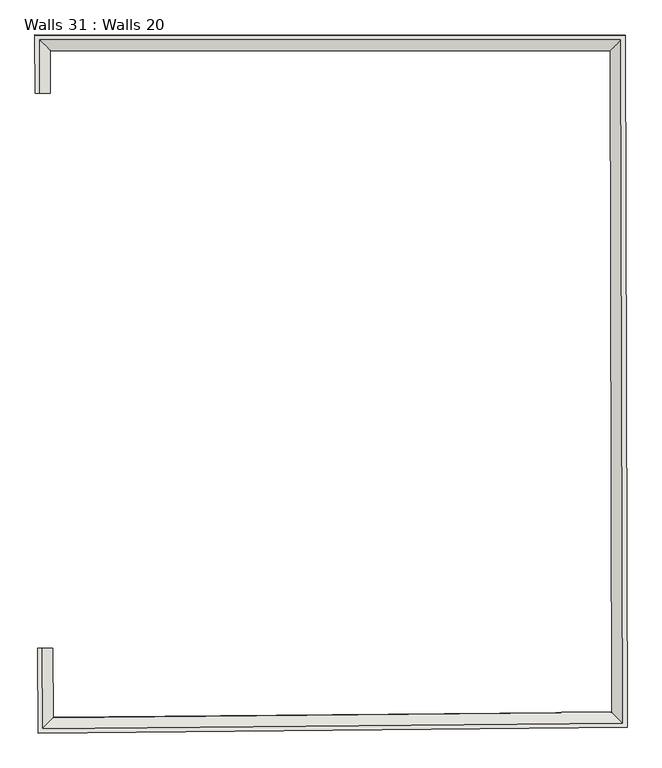
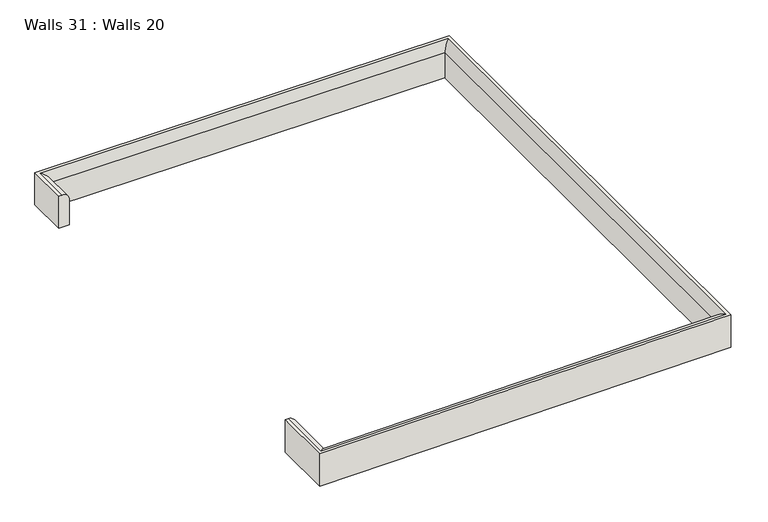
"""IFC4 building model written with IfcOpenShell, lengths in millimetres: wall geometry, Walls 31 : Walls 20."""

from ifc_helpers import new_model, si_unit, frame, origin, place, context, project, spatial, circle_curve, ellipse_curve, source, transform, mapped, element, save
from ifc_brep_helpers import plane_surface, cylinder_surface, advanced_brep


def walls_31_walls_20_ca207dbe(model_context):
    return source(origin(), model_context, "Body", "AdvancedBrep", [
        advanced_brep(
        [(-45375.1478266, 51784.8902038, 110888.9729641), (-45381.8439216, 51784.8602154, 110888.9729558), (-45381.8448538, 51785.0893584, 110813.1498091), (-45358.0390677, 51785.1959727, 110813.1498386), (-45358.0383458, 51785.0185366, 110871.8632007), (-45371.2817511, 50921.5173487, 110886.3637417), (-45354.1722702, 50921.6456679, 110869.2539782), (-45354.1729921, 50921.8231039, 110810.5406161), (-45377.9787783, 50921.7165085, 110810.5405866), (-45377.977846, 50921.4873655, 110886.3637334), (-45375.5246025, 51869.0200004, 110889.227215), (-44469.597435, 51868.2842072, 110889.2138528), (-44466.9174004, 50805.0941547, 110886.000783), (-45370.7215997, 50796.4196628, 110885.9856806), (-45377.3875577, 50789.6592446, 110885.9653321), (-44460.2044994, 50798.4621436, 110885.980658), (-44462.9181172, 51874.974916, 110889.2339905), (-45382.2508449, 51875.7215971, 110889.2475505), (-45382.2517771, 51875.9507401, 110813.4244037), (-44462.9190495, 51875.204059, 110813.4108437), (-44460.2054317, 50798.6912866, 110810.1575113), (-45377.38849, 50789.8883876, 110810.1421853), (-45353.6898458, 50813.922854, 110810.2145278), (-44484.0709663, 50822.2692436, 110810.229059), (-44486.6651899, 51851.4174216, 110813.3392507), (-45358.3388116, 51852.125394, 110813.3521078), (-45358.3380897, 51851.947958, 110872.0654699), (-44486.664468, 51851.2399856, 110872.0526129), (-44484.0702444, 50822.0918076, 110868.9424211), (-45353.689124, 50813.745418, 110868.9278899)],
        [
            (0, 1),
            (1, 2),
            (2, 3),
            (3, 4),
            (4, 0, circle_curve(frame((-45375.148037, 51784.9419108, 110871.8631795), z_axis=(0.004478441393439325, -0.9999854051821969, -0.003022082937808293), x_axis=(0.9999899716554724, 0.0044784580998660645, 1.239046082882336e-06)), 17.1098628)),
            (5, 6, circle_curve(frame((-45371.2819614, 50921.5690557, 110869.253957), z_axis=(-0.004477646704797888, 0.9999854087408966, 0.003022082938858333), x_axis=(0.9999899752141589, 0.004477663414853915, 1.2366443360414996e-06)), 17.1098628)),
            (6, 7),
            (7, 8),
            (8, 9),
            (9, 5),
            (0, 10),
            (10, 11),
            (11, 12),
            (12, 13),
            (13, 5),
            (9, 14),
            (14, 15),
            (15, 16),
            (16, 17),
            (17, 1),
            (17, 18),
            (18, 2),
            (18, 19),
            (19, 20),
            (20, 21),
            (21, 8),
            (7, 22),
            (22, 23),
            (23, 24),
            (24, 25),
            (25, 3),
            (25, 26),
            (26, 4),
            (26, 10, ellipse_curve(frame((-45375.5248128, 51869.0717074, 110872.1174304), z_axis=(-0.7058093904762955, -0.7083985871226954, -0.0021321533830538685), x_axis=(0.7084017957094031, -0.7058061411796612, -0.002141706975605916)), 24.2612643, 17.1098628)),
            (16, 19),
            (24, 27),
            (27, 26),
            (27, 11, ellipse_curve(frame((-44469.5976454, 51868.3359142, 110872.1040682), z_axis=(-0.707710566158564, 0.7064992276704568, 0.0021437930339909266), x_axis=(-0.7065024801062993, -0.707707360754007, -0.002130055925463578)), 24.1567766, 17.1098628)),
            (15, 20),
            (23, 28),
            (28, 27),
            (28, 12, ellipse_curve(frame((-44466.9176108, 50805.1458617, 110868.8909983), z_axis=(0.7028093970543118, 0.7113749832108935, 0.002141185152112932), x_axis=(-0.7113782055004086, 0.702806161346111, 0.002132677416432533)), 24.1118345, 17.1098628)),
            (14, 21),
            (22, 29),
            (29, 28),
            (29, 13, ellipse_curve(frame((-45370.72181, 50796.4713698, 110868.8758959), z_axis=(0.712065539291206, -0.7021097694642616, -0.002130581321065362), x_axis=(0.7021130020180162, 0.7120623138372064, 0.0021432708771770897)), 24.2591805, 17.1098628)),
            (6, 29),
        ],
        [
            plane_surface(frame((-45370.5431281, 51785.2670827, 110771.0901942), z_axis=(0.004478441393439316, -0.999985405182197, -0.0030220829378082925), x_axis=(1.2295243812063143e-05, -0.0030220581803146675, 0.9999954334961645))),
            plane_surface(frame((-45366.6770525, 50921.8942239, 110768.4809717), z_axis=(-0.004477646704797506, 0.9999854087408966, 0.003022082938858334), x_axis=(1.2295243920137264e-05, -0.003022058180380514, 0.9999954334961643))),
            plane_surface(frame((-45375.1478266, 51784.8902038, 110888.9729641), z_axis=(1.2295243812367532e-05, -0.0030220581803824254, 0.9999954334961642), x_axis=(-0.00447844139346915, 0.9999854051821966, 0.0030220829378760513))),
            plane_surface(frame((-45381.8439216, 51784.8602154, 110888.9729558), z_axis=(-0.9999899716554723, -0.00447845809985764, -1.2390460828578593e-06), x_axis=(-0.0044784413934308995, 0.9999854051821969, 0.003022082937813738))),
            plane_surface(frame((-45381.8448538, 51785.0893584, 110813.1498091), z_axis=(-1.2295243812088462e-05, 0.003022058180320113, -0.9999954334961644), x_axis=(-0.0044784413934308995, 0.9999854051821969, 0.003022082937813738))),
            plane_surface(frame((-45358.0390677, 51785.1959727, 110813.1498386), z_axis=(0.9999899716554727, 0.00447845809981395, 1.2390460827258255e-06), x_axis=(-0.00447844139338721, 0.9999854051821971, 0.0030220829378168257))),
            cylinder_surface(frame((-45375.148037, 51784.9419108, 110871.8631795), z_axis=(0.004478441393439325, -0.9999854051821969, -0.003022082937808293), x_axis=(0.9999899716554724, 0.0044784580998660645, 1.239046082882336e-06)), 17.1098628),
            plane_surface(frame((-45382.2508449, 51875.7215971, 110889.2475505), z_axis=(0.0008122395814409524, 0.999995103736814, 0.0030220471970106673), x_axis=(0.9999996700577902, -0.0008121987155385776, -1.4749818919829495e-05))),
            plane_surface(frame((-45358.3388116, 51852.125394, 110813.3521078), z_axis=(-0.0008122395814417331, -0.9999951037368141, -0.003022047197010667), x_axis=(0.9999996700577903, -0.0008121987155393638, -1.4749818917982063e-05))),
            cylinder_surface(frame((-45370.8941856, 51869.0679464, 110872.1173621), z_axis=(-0.9999996700577903, 0.0008121987155411418, 1.474981892436803e-05), x_axis=(-0.0008122395814435303, -0.9999951037368141, -0.003022047197010669)), 17.1098628),
            plane_surface(frame((-44462.9181172, 51874.974916, 110889.2339905), z_axis=(0.9999968228823014, 0.002520754534967103, -4.6773592750058565e-06), x_axis=(0.002520728888679991, -0.9999922564504834, -0.00302207957215801))),
            plane_surface(frame((-44486.6651899, 51851.4174216, 110813.3392507), z_axis=(-0.9999968228823015, -0.0025207545349629004, 4.67735927501856e-06), x_axis=(0.002520728888675788, -0.9999922564504834, -0.0030220795721584578))),
            cylinder_surface(frame((-44469.5860731, 51863.7450824, 110872.0901942), z_axis=(-0.0025207288886814646, 0.9999922564504835, 0.003022079572165603), x_axis=(-0.9999968228823015, -0.002520754534968576, 4.67735927499888e-06)), 17.1098628),
            plane_surface(frame((-44460.2044994, 50798.4621436, 110885.980658), z_axis=(0.009597320369480506, -0.9999493780857607, -0.003022036999473756), x_axis=(-0.9999539445847256, -0.009597313699962012, -1.6709039106638557e-05))),
            plane_surface(frame((-44484.0709663, 50822.2692436, 110810.229059), z_axis=(-0.009597320369488115, 0.9999493780857607, 0.003022036999473755), x_axis=(-0.9999539445847256, -0.009597313699969575, -1.6709039121063623e-05))),
            cylinder_surface(frame((-44471.4911122, 50805.1019664, 110868.8909219), z_axis=(0.9999539445847258, 0.009597313699968267, 1.670903911926124e-05), x_axis=(-0.0095973203694868, 0.9999493780857606, 0.0030220369994737525)), 17.1098628),
            plane_surface(frame((-45377.3875577, 50789.6592446, 110885.9653321), z_axis=(-0.9999899752141591, -0.004477663414840991, -1.236644336004651e-06), x_axis=(-0.004477646704784963, 0.9999854087408966, 0.003022082938851545))),
            plane_surface(frame((-45353.6898458, 50813.922854, 110810.2145278), z_axis=(0.999989975214159, 0.0044776634148629806, 1.2366443360711093e-06), x_axis=(-0.004477646704806952, 0.9999854087408961, 0.0030220829389509115))),
            cylinder_surface(frame((-45370.7425408, 50801.1011397, 110868.8898877), z_axis=(0.004477646704797888, -0.9999854087408966, -0.003022082938858333), x_axis=(0.9999899752141589, 0.004477663414853915, 1.2366443360414996e-06)), 17.1098628),
        ],
        [
            (0, [[1, 2, 3, 4, 5]]),
            (1, [[6, 7, 8, 9, 10]]),
            (2, [[-1, 11, 12, 13, 14, 15, -10, 16, 17, 18, 19, 20]]),
            (3, [[-2, -20, 21, 22]]),
            (4, [[-3, -22, 23, 24, 25, 26, -8, 27, 28, 29, 30, 31]]),
            (5, [[-4, -31, 32, 33]]),
            (6, [[-5, -33, 34, -11]]),
            (7, [[-21, -19, 35, -23]]),
            (8, [[-32, -30, 36, 37]]),
            (9, [[-34, -37, 38, -12]]),
            (10, [[-35, -18, 39, -24]]),
            (11, [[-36, -29, 40, 41]]),
            (12, [[-38, -41, 42, -13]]),
            (13, [[-39, -17, 43, -25]]),
            (14, [[-40, -28, 44, 45]]),
            (15, [[-42, -45, 46, -14]]),
            (16, [[-43, -16, -9, -26]]),
            (17, [[-44, -27, -7, 47]]),
            (18, [[-46, -47, -6, -15]]),
        ],
    ),
    ])


if __name__ == "__main__":
    model = new_model("IFC4")
    model_context = context("Model", 3, world=origin())
    ifc_project = project(units=[si_unit("LENGTHUNIT", "METRE", prefix="MILLI")], contexts=[model_context])
    site = spatial("IfcSite", under=ifc_project)
    building = spatial("IfcBuilding", under=site)
    placement = place(None, origin())
    walls_31_walls_20_shape = walls_31_walls_20_ca207dbe(model_context)
    element("IfcWall", 1, ObjectType="Walls 31 : Walls 20", at=placement, inside=building, context=model_context, shape_type="MappedRepresentation", body=[
        mapped(walls_31_walls_20_shape, transform((0.0, 0.0, 0.0), x_axis=(1.0, 0.0, 0.0), y_axis=(0.0, 1.0, 0.0), z_axis=(0.0, 0.0, 1.0))),
    ])
    save(model, "model.ifc")
